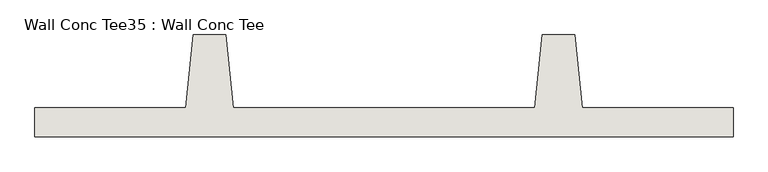
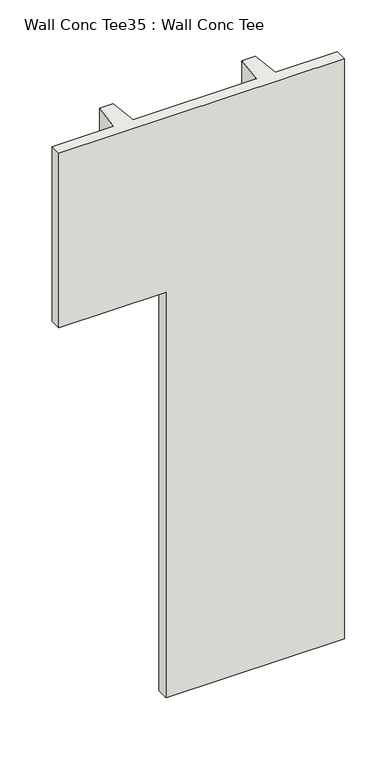
"""IFC4 building model written with IfcOpenShell, lengths in millimetres: wall geometry, Wall Conc Tee35 : Wall Conc Tee."""

from ifc_helpers import new_model, si_unit, origin, place, context, project, spatial, faceted_brep, source, transform, mapped, element, save


def wall_conc_tee35_wall_conc_tee_8aed61b9(model_context):
    return source(origin(), model_context, "Body", "Brep", [
        faceted_brep([(219926.6728488, 193104.2596581, 5376.1679688), (219926.6728488, 193205.8596581, 5376.1679688), (219399.6228488, 193205.8596581, 5376.1679688), (219374.2228488, 193459.8596581, 5376.1679688), (219259.9228488, 193459.8596581, 5376.1679688), (219234.5228488, 193205.8596581, 5376.1679688), (218180.4228488, 193205.8596581, 5376.1679688), (218155.0228488, 193459.8596581, 5376.1679688), (218040.7228488, 193459.8596581, 5376.1679688), (218015.3228488, 193205.8596581, 5376.1679688), (217488.2728488, 193205.8596581, 5376.1679688), (217488.2728488, 193104.2596581, 5376.1679688), (219234.5228488, 193205.8596581, 143.7592564), (219259.9228488, 193459.8596581, 143.7592564), (219374.2228488, 193459.8596581, 143.7592564), (219399.6228488, 193205.8596581, 143.7592564), (219926.6728488, 193205.8596581, 143.7592564), (219926.6728488, 193104.2596581, 143.7592564), (218402.6728488, 193104.2596581, 143.7592564), (218402.6728488, 193205.8596581, 143.7592564), (217488.2728488, 193104.2596581, 3801.3592564), (218402.6728488, 193104.2596581, 3801.3592564), (217488.2728488, 193205.8596581, 3801.3592564), (218015.3228488, 193205.8596581, 3801.3592564), (218040.7228488, 193459.8596581, 3801.3592564), (218155.0228488, 193459.8596581, 3801.3592564), (218180.4228488, 193205.8596581, 3801.3592564), (218402.6728488, 193205.8596581, 3801.3592564)], [[[0, 1, 2, 3, 4, 5, 6, 7, 8, 9, 10, 11]], [[12, 13, 14, 15, 16, 17, 18, 19]], [[0, 11, 20, 21, 18, 17]], [[11, 10, 22, 20]], [[10, 9, 23, 22]], [[9, 8, 24, 23]], [[8, 7, 25, 24]], [[7, 6, 26, 25]], [[6, 5, 12, 19, 27, 26]], [[5, 4, 13, 12]], [[4, 3, 14, 13]], [[3, 2, 15, 14]], [[2, 1, 16, 15]], [[1, 0, 17, 16]], [[27, 21, 20, 22, 23, 24, 25, 26]], [[21, 27, 19, 18]]]),
    ])


if __name__ == "__main__":
    model = new_model("IFC4")
    model_context = context("Model", 3, world=origin())
    ifc_project = project(units=[si_unit("LENGTHUNIT", "METRE", prefix="MILLI")], contexts=[model_context])
    site = spatial("IfcSite", under=ifc_project)
    building = spatial("IfcBuilding", under=site)
    placement = place(None, origin())
    wall_conc_tee35_wall_conc_tee_shape = wall_conc_tee35_wall_conc_tee_8aed61b9(model_context)
    element("IfcWall", 1, ObjectType="Wall Conc Tee35 : Wall Conc Tee", at=placement, inside=building, context=model_context, shape_type="MappedRepresentation", body=[
        mapped(wall_conc_tee35_wall_conc_tee_shape, transform((0.0, 0.0, 0.0), x_axis=(1.0, 0.0, 0.0), y_axis=(0.0, 1.0, 0.0), z_axis=(0.0, 0.0, 1.0))),
    ])
    save(model, "model.ifc")
